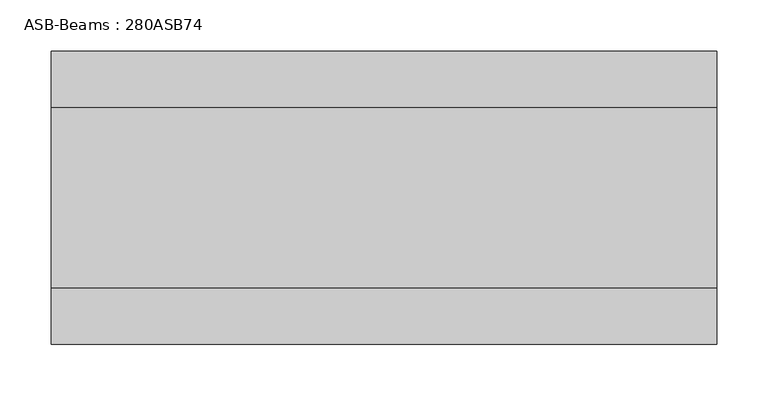
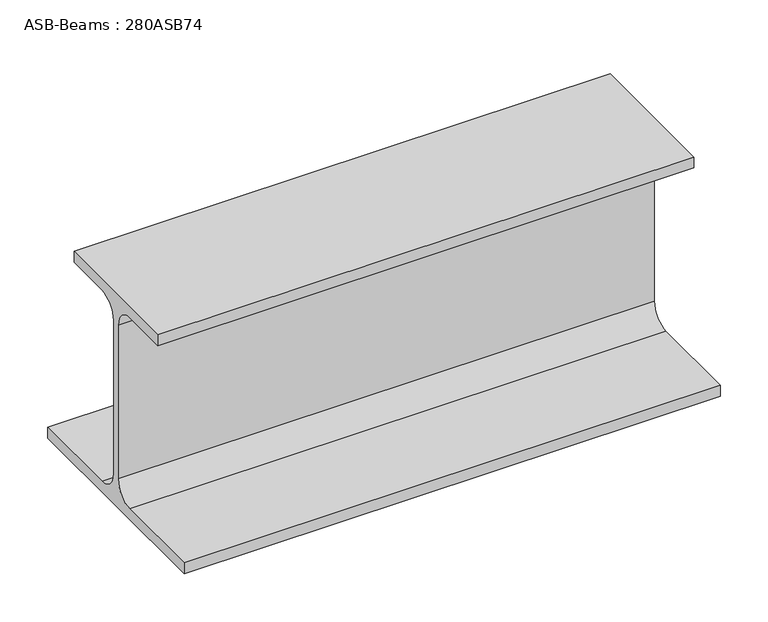
"""IFC4 building model written with IfcOpenShell, lengths in millimetres: beam geometry, ASB-Beams : 280ASB74."""

import ifcopenshell
import ifcopenshell.guid

model = None  # the IFC model being written
_history = None  # IfcOwnerHistory: only IFC2X3 demands one
_inside = {}  # id of a spatial element -> (the spatial element, [elements in it])
_under = {}  # id of a project, library or spatial element -> (it, [spatial elements below it])
_declared = {}  # id of a project -> (the project, [libraries it declares])
_typed = {}  # id of a type object -> (the type object, [elements of that type])
_made_of = {}  # id of a material, layer set ... -> (it, [elements and type objects made of it])


def new_model(schema):
    """Start an empty IFC model of exactly this schema.

    Asked for "IFC4X3", IfcOpenShell would pick the latest addendum, in which some entities
    have other attributes; the version numbers below select the first issue.
    IFC2X3 requires an IfcOwnerHistory on every rooted entity: one is made here for all.
    """
    global model, _history
    if schema == "IFC4X3":
        model = ifcopenshell.file(schema_version=(4, 3, 0, 0))
    else:
        model = ifcopenshell.file(schema=schema)
    _inside.clear()
    _under.clear()
    _declared.clear()
    _typed.clear()
    _made_of.clear()
    _history = None
    if model.schema == "IFC2X3":
        org = make("IfcOrganization", Name="unknown")
        user = make(
            "IfcPersonAndOrganization",
            ThePerson=make("IfcPerson", FamilyName="unknown"),
            TheOrganization=org,
        )
        app = make(
            "IfcApplication",
            ApplicationDeveloper=org,
            Version="unknown",
            ApplicationFullName="unknown",
            ApplicationIdentifier="unknown",
        )
        _history = make(
            "IfcOwnerHistory",
            OwningUser=user,
            OwningApplication=app,
            ChangeAction="ADDED",
            CreationDate=0,
        )
    return model


def make(cls, **values):
    """One entity of the class cls with the attributes given. An attribute that is None is left unset."""
    return model.create_entity(
        cls, **{name: value for name, value in values.items() if value is not None}
    )


def rooted(cls, **values):
    """An entity with a GlobalId (a new one), such as an element, a storey or a relation."""
    return make(cls, GlobalId=ifcopenshell.guid.new(), OwnerHistory=_history, **values)


def si_unit(unit_type, name, prefix=None):
    """IfcSIUnit, for example si_unit("LENGTHUNIT", "METRE", prefix="MILLI")."""
    return make("IfcSIUnit", UnitType=unit_type, Prefix=prefix, Name=name)


def assignment(units):
    """IfcUnitAssignment: the units of a project."""
    return None if units is None else make("IfcUnitAssignment", Units=units)


def point(xyz):
    """IfcCartesianPoint."""
    return None if xyz is None else make("IfcCartesianPoint", Coordinates=xyz)


def direction(xyz):
    """IfcDirection."""
    return None if xyz is None else make("IfcDirection", DirectionRatios=xyz)


def frame(location, z_axis=None, x_axis=None):
    """IfcAxis2Placement3D, a coordinate frame: its origin and axes. An axis left out is left unset."""
    return make(
        "IfcAxis2Placement3D",
        Location=point(location),
        Axis=direction(z_axis),
        RefDirection=direction(x_axis),
    )


def frame_2d(location, x_axis=None):
    """IfcAxis2Placement2D, a coordinate frame in the plane: its origin and x axis."""
    return make(
        "IfcAxis2Placement2D", Location=point(location), RefDirection=direction(x_axis)
    )


def origin():
    """The frame at (0, 0, 0) with its axes left unset."""
    return frame((0.0, 0.0, 0.0))


def place(relative_to, where):
    """IfcLocalPlacement: puts the frame where relative to a parent placement (None: the world)."""
    return make(
        "IfcLocalPlacement", PlacementRelTo=relative_to, RelativePlacement=where
    )


def context(
    kind, dimensions, precision=None, world=None, true_north=None, identifier=None
):
    """IfcGeometricRepresentationContext, for example the 3D "Model" context."""
    return make(
        "IfcGeometricRepresentationContext",
        ContextIdentifier=identifier,
        ContextType=kind,
        CoordinateSpaceDimension=dimensions,
        Precision=precision,
        WorldCoordinateSystem=world,
        TrueNorth=true_north,
    )


def project(units=None, contexts=None):
    """IfcProject with its units and contexts."""
    return rooted(
        "IfcProject",
        Name="project",
        RepresentationContexts=contexts,
        UnitsInContext=assignment(units),
    )


def spatial(cls, under=None, at=None, **own):
    """A site, building, storey or space (cls), placed at a placement, below another one or the project."""
    s = rooted(cls, ObjectPlacement=at, **own)
    if under is not None:
        _under.setdefault(under.id(), (under, []))[1].append(s)
    return s


def polyline(points):
    """IfcPolyline through the points."""
    return make("IfcPolyline", Points=[point(p) for p in points])


def circle_curve(where, radius):
    """IfcCircle in the frame where."""
    return make("IfcCircle", Position=where, Radius=radius)


def trimmed(basis, trim1, trim2, sense, master):
    """IfcTrimmedCurve: the piece of a basis curve between two trims."""
    return make(
        "IfcTrimmedCurve",
        BasisCurve=basis,
        Trim1=trim1,
        Trim2=trim2,
        SenseAgreement=sense,
        MasterRepresentation=master,
    )


def segment(curve, same_sense, transition):
    """IfcCompositeCurveSegment."""
    return make(
        "IfcCompositeCurveSegment",
        Transition=transition,
        SameSense=same_sense,
        ParentCurve=curve,
    )


def composite_curve(segments, self_intersect=None):
    """IfcCompositeCurve: segments joined end to end."""
    return make("IfcCompositeCurve", Segments=segments, SelfIntersect=self_intersect)


def outline(outer, holes=None, kind="AREA"):
    """IfcArbitraryClosedProfileDef: a profile drawn as a closed curve; with holes, ...WithVoids."""
    if holes is None:
        return make("IfcArbitraryClosedProfileDef", ProfileType=kind, OuterCurve=outer)
    return make(
        "IfcArbitraryProfileDefWithVoids",
        ProfileType=kind,
        OuterCurve=outer,
        InnerCurves=holes,
    )


def extrude(swept, where, along, depth):
    """IfcExtrudedAreaSolid: the profile swept, set in the frame where, extruded along a direction by depth."""
    return make(
        "IfcExtrudedAreaSolid",
        SweptArea=swept,
        Position=where,
        ExtrudedDirection=direction(along),
        Depth=depth,
    )


def shape(context_of_items, identifier, shape_type, items):
    """IfcShapeRepresentation: the items that make up one representation, for example the "Body"."""
    return make(
        "IfcShapeRepresentation",
        ContextOfItems=context_of_items,
        RepresentationIdentifier=identifier,
        RepresentationType=shape_type,
        Items=items,
    )


def source(mapping_origin, context_of_items, identifier, shape_type, items):
    """IfcRepresentationMap: a shape defined once, which mapped items show again and again."""
    return make(
        "IfcRepresentationMap",
        MappingOrigin=mapping_origin,
        MappedRepresentation=shape(context_of_items, identifier, shape_type, items),
    )


def transform(
    local_origin,
    x_axis=None,
    y_axis=None,
    z_axis=None,
    scale=None,
    scale2=None,
    scale3=None,
    uniform=True,
):
    """IfcCartesianTransformationOperator3D, or its non-uniform kind. x_axis, y_axis, z_axis: its Axis1, 2, 3."""
    if uniform:
        return make(
            "IfcCartesianTransformationOperator3D",
            Axis1=direction(x_axis),
            Axis2=direction(y_axis),
            LocalOrigin=point(local_origin),
            Scale=scale,
            Axis3=direction(z_axis),
        )
    return make(
        "IfcCartesianTransformationOperator3DnonUniform",
        Axis1=direction(x_axis),
        Axis2=direction(y_axis),
        LocalOrigin=point(local_origin),
        Scale=scale,
        Axis3=direction(z_axis),
        Scale2=scale2,
        Scale3=scale3,
    )


def mapped(mapping_source, mapping_target):
    """IfcMappedItem: shows the shape of a source again, moved by a transform."""
    return make(
        "IfcMappedItem", MappingSource=mapping_source, MappingTarget=mapping_target
    )


def made_of(thing, what):
    """Note that an element or type object is made of a material, layer set ...; save() writes the relation."""
    if what is not None:
        _made_of.setdefault(what.id(), (what, []))[1].append(thing)
    return thing


def element(
    cls,
    number,
    at=None,
    inside=None,
    cuts=None,
    type_object=None,
    material=None,
    context=None,
    identifier="Body",
    shape_type=None,
    held_by="IfcProductDefinitionShape",
    body=None,
    shapes=None,
    **own,
):
    """One element of the class cls, such as IfcWall. Its Tag is "e" and its number.

    at: its placement. inside: the storey or other place that contains it. cuts: it is an
    opening in that element (IfcRelVoidsElement). A single representation is given by context,
    identifier, shape_type and body (its items); several are given by shapes. held_by: the class
    of the entity that holds the representations. save() writes the other relations.
    """
    e = rooted(cls, Tag="e%d" % number, ObjectPlacement=at, **own)
    if body is not None:
        shapes = [shape(context, identifier, shape_type, body)]
    if shapes is not None:
        e.Representation = make(held_by, Representations=shapes)
    if inside is not None:
        _inside.setdefault(inside.id(), (inside, []))[1].append(e)
    if cuts is not None:
        rooted(
            "IfcRelVoidsElement", RelatingBuildingElement=cuts, RelatedOpeningElement=e
        )
    if type_object is not None:
        _typed.setdefault(type_object.id(), (type_object, []))[1].append(e)
    return made_of(e, material)


def aggregate(whole, parts):
    """IfcRelAggregates: a whole, such as a stair, and the parts it consists of."""
    return rooted("IfcRelAggregates", RelatingObject=whole, RelatedObjects=parts)


def save(model, path):
    """Write the relations noted so far, then the file.

    IfcRelAggregates (storeys below a building ...), IfcRelContainedInSpatialStructure (elements
    in a storey), IfcRelDefinesByType, IfcRelAssociatesMaterial and IfcRelDeclares: one each for
    every whole, place, type object, material and project.
    """
    for whole, parts in _under.values():
        aggregate(whole, parts)
    for where, things in _inside.values():
        rooted(
            "IfcRelContainedInSpatialStructure",
            RelatedElements=things,
            RelatingStructure=where,
        )
    for kind, things in _typed.values():
        rooted("IfcRelDefinesByType", RelatedObjects=things, RelatingType=kind)
    for what, things in _made_of.values():
        rooted("IfcRelAssociatesMaterial", RelatedObjects=things, RelatingMaterial=what)
    for by, libraries in _declared.values():
        rooted("IfcRelDeclares", RelatingContext=by, RelatedDefinitions=libraries)
    model.write(path)


def asb_beams_280asb74_cb83db45(model_context):
    return source(origin(), model_context, "Body", "SweptSolid", [
        extrude(outline(composite_curve([segment(polyline([(87.5, 157.0), (87.5, 143.0), (29.0, 143.0)]), True, "CONTINUOUS"), segment(trimmed(circle_curve(frame_2d((29.0, 119.0)), 24.0), [point((29.0, 143.0))], [point((5.0, 119.0))], True, "CARTESIAN"), True, "CONTINUOUS"), segment(polyline([(5.0, 119.0), (5.0, -77.0)]), True, "CONTINUOUS"), segment(trimmed(circle_curve(frame_2d((29.0, -77.0)), 24.0), [point((5.0, -77.0))], [point((29.0, -101.0))], True, "CARTESIAN"), True, "CONTINUOUS"), segment(polyline([(29.0, -101.0), (142.5, -101.0), (142.5, -115.0), (-142.5, -115.0), (-142.5, -101.0), (-29.0, -101.0)]), True, "CONTINUOUS"), segment(trimmed(circle_curve(frame_2d((-29.0, -77.0)), 24.0), [point((-29.0, -101.0))], [point((-5.0, -77.0))], True, "CARTESIAN"), True, "CONTINUOUS"), segment(polyline([(-5.0, -77.0), (-5.0, 119.0)]), True, "CONTINUOUS"), segment(trimmed(circle_curve(frame_2d((-29.0, 119.0)), 24.0), [point((-5.0, 119.0))], [point((-29.0, 143.0))], True, "CARTESIAN"), True, "CONTINUOUS"), segment(polyline([(-29.0, 143.0), (-87.5, 143.0), (-87.5, 157.0), (87.5, 157.0)]), True, "CONTINUOUS")], self_intersect=False)), frame((-327.6087961, 0.0, 0.0), z_axis=(1.0, 0.0, 0.0), x_axis=(0.0, 1.0, 0.0)), (0.0, 0.0, 1.0), 647.6087961),
    ])


if __name__ == "__main__":
    model = new_model("IFC4")
    model_context = context("Model", 3, world=origin())
    ifc_project = project(units=[si_unit("LENGTHUNIT", "METRE", prefix="MILLI")], contexts=[model_context])
    site = spatial("IfcSite", under=ifc_project)
    building = spatial("IfcBuilding", under=site)
    placement = place(None, origin())
    asb_beams_280asb74_shape = asb_beams_280asb74_cb83db45(model_context)
    element("IfcBeam", 1, ObjectType="ASB-Beams : 280ASB74", at=placement, inside=building, context=model_context, shape_type="MappedRepresentation", body=[
        mapped(asb_beams_280asb74_shape, transform((0.0, 0.0, 0.0), x_axis=(1.0, 0.0, 0.0), y_axis=(0.0, 1.0, 0.0), z_axis=(0.0, 0.0, 1.0))),
    ])
    save(model, "model.ifc")
